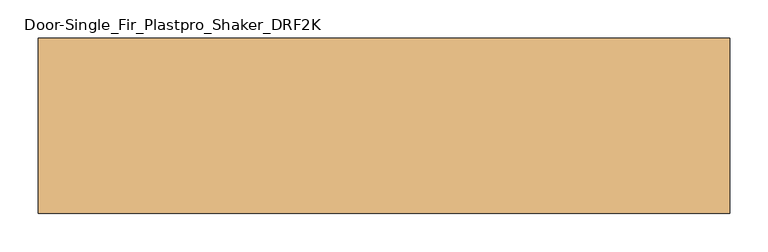
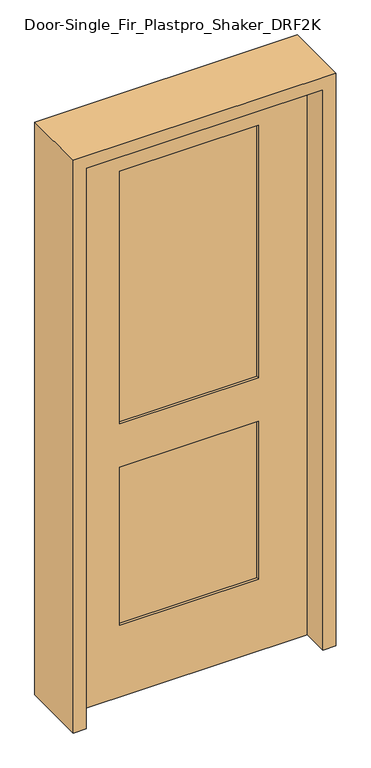
"""IFC4 building model written with IfcOpenShell, lengths in millimetres: door geometry, Door-Single_Fir_Plastpro_Shaker_DRF2K."""

from ifc_helpers import new_model, si_unit, frame, origin, place, context, project, spatial, polyline, outline, extrude, source, transform, mapped, element, save


def door_single_fir_plastpro_shaker_drf2k_70c2f659(model_context):
    return source(origin(), model_context, "Body", "SweptSolid", [
        extrude(outline(polyline([(2032.0, 406.4), (2032.0, -406.4), (0.0, -406.4), (0.0, 406.4), (2032.0, 406.4)]), holes=[polyline([(831.85, 238.125), (260.35, 238.125), (260.35, -238.125), (831.85, -238.125), (831.85, 238.125)]), polyline([(1905.0, -238.125), (1905.0, 238.125), (990.6, 238.125), (990.6, -238.125), (1905.0, -238.125)])]), frame((0.0, -20.6375, 0.0), z_axis=(0.0, 1.0, 0.0), x_axis=(0.0, 0.0, 1.0)), (0.0, 0.0, 1.0), 41.275),
        extrude(outline(polyline([(-238.125, -12.7), (-238.125, 14.2875), (238.125, 14.2875), (238.125, -12.7), (-238.125, -12.7)])), frame((0.0, 0.0, 990.6), z_axis=(0.0, 0.0, 1.0), x_axis=(1.0, 0.0, 0.0)), (0.0, 0.0, 1.0), 914.4),
        extrude(outline(polyline([(-238.125, -12.7), (-238.125, 14.2875), (238.125, 14.2875), (238.125, -12.7), (-238.125, -12.7)])), frame((0.0, 0.0, 260.35), z_axis=(0.0, 0.0, 1.0), x_axis=(1.0, 0.0, 0.0)), (0.0, 0.0, 1.0), 571.5),
        extrude(outline(polyline([(0.0, 406.4), (0.0, 450.85), (2076.45, 450.85), (2076.45, -450.85), (0.0, -450.85), (0.0, -406.4), (2032.0, -406.4), (2032.0, 406.4), (0.0, 406.4)])), frame((0.0, -114.3, 0.0), z_axis=(0.0, 1.0, 0.0), x_axis=(0.0, 0.0, 1.0)), (0.0, 0.0, 1.0), 228.6),
    ])


if __name__ == "__main__":
    model = new_model("IFC4")
    model_context = context("Model", 3, world=origin())
    ifc_project = project(units=[si_unit("LENGTHUNIT", "METRE", prefix="MILLI")], contexts=[model_context])
    site = spatial("IfcSite", under=ifc_project)
    building = spatial("IfcBuilding", under=site)
    placement = place(None, origin())
    door_single_fir_plastpro_shaker_drf2k_shape = door_single_fir_plastpro_shaker_drf2k_70c2f659(model_context)
    element("IfcDoor", 1, ObjectType="Door-Single_Fir_Plastpro_Shaker_DRF2K", at=placement, inside=building, context=model_context, shape_type="MappedRepresentation", body=[
        mapped(door_single_fir_plastpro_shaker_drf2k_shape, transform((0.0, 0.0, 0.0), x_axis=(1.0, 0.0, 0.0), y_axis=(0.0, 1.0, 0.0), z_axis=(0.0, 0.0, 1.0))),
    ])
    save(model, "model.ifc")
